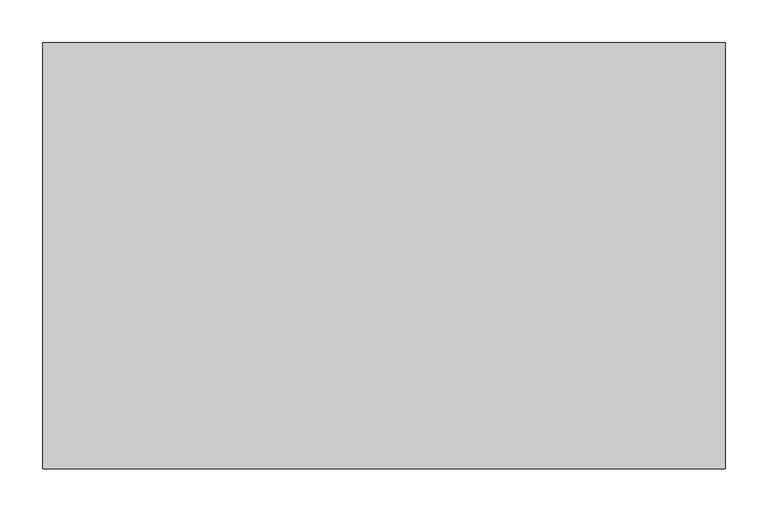
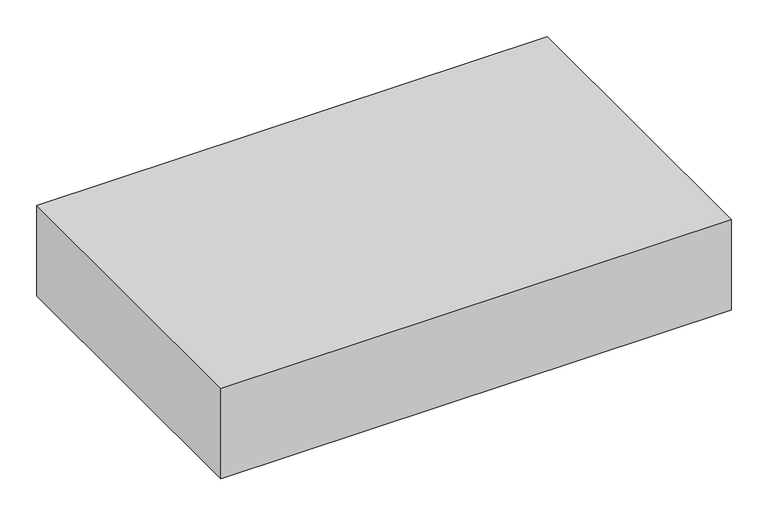
"""IFC4 building model written with IfcOpenShell, lengths in millimetres: proxy geometry."""

from ifc_helpers import new_model, si_unit, frame, origin, place, context, project, spatial, polyline, outline, extrude, source, transform, mapped, element, save


def generic_models_4638a2d7(model_context):
    return source(origin(), model_context, "Body", "SweptSolid", [
        extrude(outline(polyline([(800.0, 500.0), (800.0, 0.0), (0.0, 0.0), (0.0, 500.0), (800.0, 500.0)])), frame((0.0, 0.0, 850.0), z_axis=(0.0, 0.0, 1.0), x_axis=(1.0, 0.0, 0.0)), (0.0, 0.0, 1.0), 150.0),
    ])


if __name__ == "__main__":
    model = new_model("IFC4")
    model_context = context("Model", 3, world=origin())
    ifc_project = project(units=[si_unit("LENGTHUNIT", "METRE", prefix="MILLI")], contexts=[model_context])
    site = spatial("IfcSite", under=ifc_project)
    building = spatial("IfcBuilding", under=site)
    placement = place(None, origin())
    generic_models_shape = generic_models_4638a2d7(model_context)
    element("IfcBuildingElementProxy", 1, Name="Generic Models", at=placement, inside=building, context=model_context, shape_type="MappedRepresentation", body=[
        mapped(generic_models_shape, transform((0.0, 0.0, 0.0), x_axis=(1.0, 0.0, 0.0), y_axis=(0.0, 1.0, 0.0), z_axis=(0.0, 0.0, 1.0))),
    ])
    save(model, "model.ifc")
